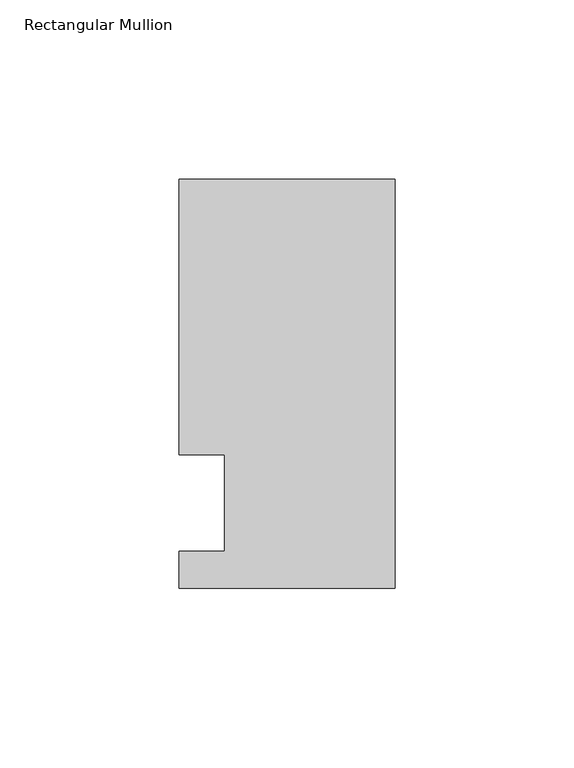
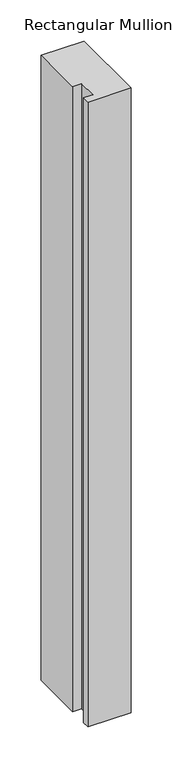
"""IFC4 building model written with IfcOpenShell, lengths in millimetres: member geometry, Rectangular Mullion."""

from ifc_helpers import new_model, si_unit, frame, origin, place, context, project, spatial, polyline, outline, extrude, source, transform, mapped, element, save


def rectangular_mullion_1a7355b7(model_context):
    return source(origin(), model_context, "Body", "SweptSolid", [
        extrude(outline(polyline([(-60.325, 90.4875), (0.0, 90.4875), (0.0, -23.8125), (-60.325, -23.8125), (-60.325, -13.49375), (-47.6232296, -13.49375), (-47.6232296, 13.49375), (-60.325, 13.49375), (-60.325, 90.4875)])), frame((0.0, 0.0, -925.9405973), z_axis=(0.0, 0.0, 1.0), x_axis=(1.0, 0.0, 0.0)), (0.0, 0.0, 1.0), 925.9405973),
    ])


if __name__ == "__main__":
    model = new_model("IFC4")
    model_context = context("Model", 3, world=origin())
    ifc_project = project(units=[si_unit("LENGTHUNIT", "METRE", prefix="MILLI")], contexts=[model_context])
    site = spatial("IfcSite", under=ifc_project)
    building = spatial("IfcBuilding", under=site)
    placement = place(None, origin())
    rectangular_mullion_shape = rectangular_mullion_1a7355b7(model_context)
    element("IfcMember", 1, ObjectType="Rectangular Mullion", at=placement, inside=building, context=model_context, shape_type="MappedRepresentation", body=[
        mapped(rectangular_mullion_shape, transform((0.0, 0.0, 0.0), x_axis=(1.0, 0.0, 0.0), y_axis=(0.0, 1.0, 0.0), z_axis=(0.0, 0.0, 1.0))),
    ])
    save(model, "model.ifc")
